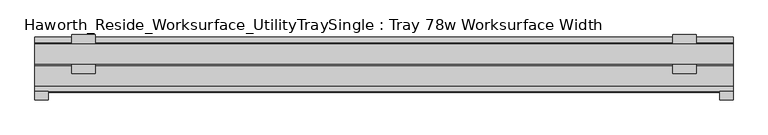
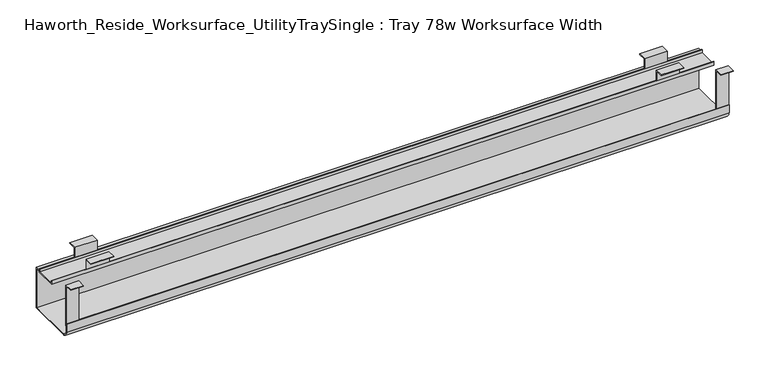
"""IFC4 building model written with IfcOpenShell, lengths in millimetres: furniture geometry, Haworth_Reside_Worksurface_UtilityTraySingle : Tray 78w Worksurface Width."""

from ifc_helpers import new_model, si_unit, point, frame, frame_2d, origin, place, context, project, spatial, polyline, circle_curve, trimmed, segment, composite_curve, outline, extrude, source, transform, mapped, element, save


def haworth_reside_worksurface_utilitytraysingle_tray_78w_fb119037(model_context):
    return source(origin(), model_context, "Body", "SweptSolid", [
        extrude(outline(polyline([(85.2804983, 731.8375), (85.2804983, 705.0616227), (83.6929983, 705.0616227), (83.6929983, 730.25), (64.1984987, 730.25), (64.1984987, 731.8375), (85.2804983, 731.8375)])), frame((769.14375, 0.0, 0.0), z_axis=(1.0, 0.0, 0.0), x_axis=(0.0, 1.0, 0.0)), (0.0, 0.0, 1.0), 57.15),
        extrude(outline(polyline([(136.0804991, 731.8375), (157.1625, 731.8375), (157.1625, 730.25), (137.6679991, 730.25), (137.6679991, 705.0616227), (136.0804991, 705.0616227), (136.0804991, 731.8375)])), frame((769.14375, 0.0, 0.0), z_axis=(1.0, 0.0, 0.0), x_axis=(0.0, 1.0, 0.0)), (0.0, 0.0, 1.0), 57.15),
        extrude(outline(polyline([(85.2804983, 731.8375), (85.2804983, 705.0616227), (83.6929983, 705.0616227), (83.6929983, 730.25), (64.1984987, 730.25), (64.1984987, 731.8375), (85.2804983, 731.8375)])), frame((-673.89375, 0.0, 0.0), z_axis=(1.0, 0.0, 0.0), x_axis=(0.0, 1.0, 0.0)), (0.0, 0.0, 1.0), 57.15),
        extrude(outline(polyline([(136.0804991, 731.8375), (157.1625, 731.8375), (157.1625, 730.25), (137.6679991, 730.25), (137.6679991, 705.0616227), (136.0804991, 705.0616227), (136.0804991, 731.8375)])), frame((-673.89375, 0.0, 0.0), z_axis=(1.0, 0.0, 0.0), x_axis=(0.0, 1.0, 0.0)), (0.0, 0.0, 1.0), 57.15),
        extrude(outline(polyline([(21.0438957, 731.8375), (21.0438957, 622.3673792), (19.4563957, 622.3673792), (19.4563957, 730.25), (0.0, 730.25), (0.0, 731.8375), (21.0438957, 731.8375)])), frame((882.65, 0.0, 0.0), z_axis=(1.0, 0.0, 0.0), x_axis=(0.0, 1.0, 0.0)), (0.0, 0.0, 1.0), 31.75),
        extrude(outline(polyline([(21.0438957, 731.8375), (21.0438957, 622.3673792), (19.4563957, 622.3673792), (19.4563957, 730.25), (0.0, 730.25), (0.0, 731.8375), (21.0438957, 731.8375)])), frame((-762.0, 0.0, 0.0), z_axis=(1.0, 0.0, 0.0), x_axis=(0.0, 1.0, 0.0)), (0.0, 0.0, 1.0), 31.75),
        extrude(outline(composite_curve([segment(polyline([(151.2189002, 592.1375), (33.7438957, 592.1375)]), True, "CONTINUOUS"), segment(trimmed(circle_curve(frame_2d((33.7438957, 608.0125)), 15.875), [point((33.7438957, 592.1375))], [point((17.8688957, 608.0125))], False, "CARTESIAN"), True, "CONTINUOUS"), segment(polyline([(17.8688957, 608.0125), (17.8688957, 629.0309801), (19.4563957, 629.0309801), (19.4563957, 608.0759608)]), True, "CONTINUOUS"), segment(trimmed(circle_curve(frame_2d((33.7438957, 608.0759608)), 14.2875), [point((19.4563957, 608.0759608))], [point((33.7438957, 593.7884608))], True, "CARTESIAN"), True, "CONTINUOUS"), segment(polyline([(33.7438957, 593.7884608), (149.6314002, 593.7884608), (149.6314002, 698.4364942), (137.6679991, 698.4364942), (137.6679991, 695.8584054), (83.6929983, 695.8584054), (83.6929983, 705.0616227), (85.2804983, 705.0616227), (85.2804983, 697.4459054), (136.0804991, 697.4459054), (136.0804991, 705.0616227), (137.6679991, 705.0616227), (137.6679991, 700.0239942), (151.2189002, 700.0239942), (151.2189002, 592.1375)]), True, "CONTINUOUS")], self_intersect=False)), frame((-762.0, 0.0, 0.0), z_axis=(1.0, 0.0, 0.0), x_axis=(0.0, 1.0, 0.0)), (0.0, 0.0, 1.0), 1676.4),
    ])


if __name__ == "__main__":
    model = new_model("IFC4")
    model_context = context("Model", 3, world=origin())
    ifc_project = project(units=[si_unit("LENGTHUNIT", "METRE", prefix="MILLI")], contexts=[model_context])
    site = spatial("IfcSite", under=ifc_project)
    building = spatial("IfcBuilding", under=site)
    placement = place(None, origin())
    haworth_reside_worksurface_utilitytraysingle_tray_78w_shape = haworth_reside_worksurface_utilitytraysingle_tray_78w_fb119037(model_context)
    element("IfcFurniture", 1, ObjectType="Haworth_Reside_Worksurface_UtilityTraySingle : Tray 78w Worksurface Width", at=placement, inside=building, context=model_context, shape_type="MappedRepresentation", body=[
        mapped(haworth_reside_worksurface_utilitytraysingle_tray_78w_shape, transform((0.0, 0.0, 0.0), x_axis=(1.0, 0.0, 0.0), y_axis=(0.0, 1.0, 0.0), z_axis=(0.0, 0.0, 1.0))),
    ])
    save(model, "model.ifc")
